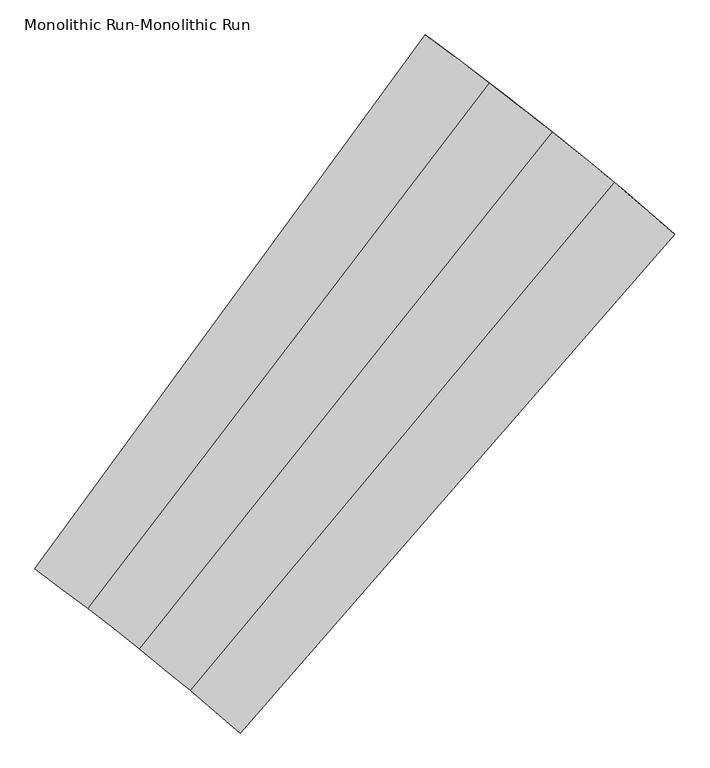
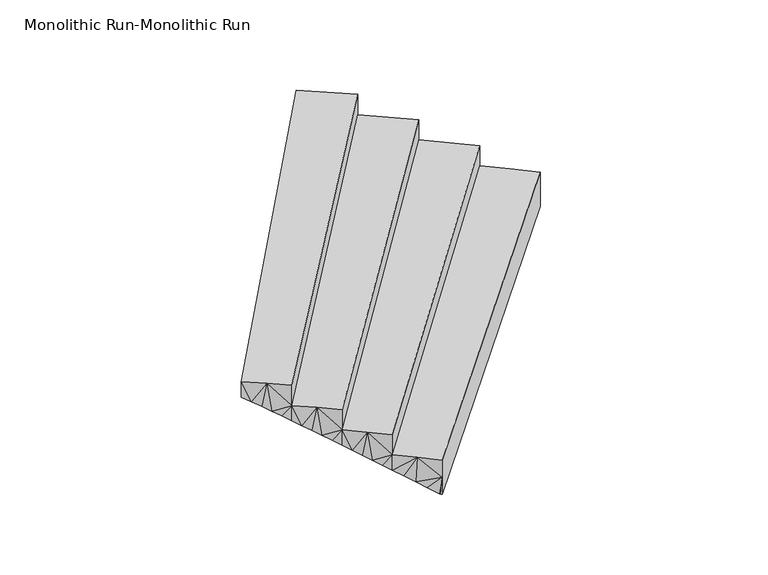
"""IFC4 building model written with IfcOpenShell, lengths in millimetres: stair geometry, Monolithic Run-Monolithic Run."""

from ifc_helpers import new_model, si_unit, origin, place, context, project, spatial, faceted_brep, source, transform, mapped, element, save


def monolithic_run_monolithic_run_472258ab(model_context):
    return source(origin(), model_context, "Body", "Brep", [
        faceted_brep([(2766.2167462, 2381.9004811, 2322.2857143), (2627.8743338, 2498.5693648, 2322.2857143), (706.0527135, 194.9631355, 2322.2857143), (819.9817589, 98.8828784, 2322.2857143), (932.8815592, 1.5952722, 2322.2857143), (2903.3093607, 2263.7655308, 2322.2857143), (706.0527135, 194.9631355, 2213.0410191), (759.5162652, 150.1338668, 2179.0664797), (812.7557401, 105.0387118, 2145.0919403), (932.8815592, 1.5952722, 2199.7142857), (925.721483, 7.827676, 2077.1428571), (932.8815592, 1.5952722, 2077.1428571), (865.7698163, 59.6787902, 2111.1174007), (918.5571827, 14.0552235, 2077.1428571), (2903.3093607, 2263.7655308, 2077.1428571), (2903.3093607, 2263.7655308, 2199.7142554), (2885.9154751, 2278.8954716, 2077.1428571), (2834.6584065, 2323.2410638, 2104.3224854), (2894.6149826, 2271.3334497, 2077.1428571), (2783.2249332, 2367.3819544, 2131.5021188), (2731.6158826, 2411.3174331, 2158.6817523), (2679.8320751, 2455.0468016, 2185.8613857), (2627.8743338, 2498.5693648, 2213.0410191), (2488.2978011, 2613.7589605, 2467.4285714), (2347.5029651, 2727.4562147, 2467.4285714), (475.1586451, 383.4581884, 2467.4285714), (591.1073336, 289.8251555, 2467.4285714), (706.0527135, 194.9631355, 2467.4285714), (2627.8743338, 2498.5693648, 2467.4285714), (521.6576685, 346.1531444, 2329.1553115), (475.1586451, 383.4581884, 2358.1838763), (567.9974338, 308.650429, 2300.1267384), (614.1770874, 270.9507328, 2271.0981653), (660.1957921, 233.0547392, 2242.0695922), (2581.4851685, 2537.1309106, 2237.2314957), (2488.2977991, 2613.7589621, 2285.6124487), (2534.9594617, 2575.5276042, 2261.4219722), (2441.5007684, 2651.8245028, 2309.8029253), (2394.5689587, 2689.7237472, 2333.9934018), (2347.5029651, 2727.4562147, 2358.1838763), (2205.5057811, 2839.648243, 2612.5714286), (2062.3223407, 2950.3223313, 2612.5714286), (240.3040132, 566.9949903, 2612.5714286), (358.2197877, 475.8516234, 2612.5714286), (475.1586451, 383.4581884, 2612.5714286), (2347.5029651, 2727.4562147, 2612.5714286), (287.5866896, 530.6883243, 2474.2981686), (240.3040132, 566.9949903, 2503.3267334), (334.7143521, 494.1806411, 2445.2695955), (381.6861329, 457.472613, 2416.2410225), (428.5011801, 420.5649057, 2387.2124494), (2300.3033721, 2765.0214367, 2382.3743528), (2205.5057791, 2839.6482445, 2430.7553059), (2252.9707781, 2802.4189369, 2406.5648293), (2157.9089727, 2876.7088907, 2454.9457824), (2110.1809582, 2913.6004089, 2479.1362589), (2062.3223407, 2950.3223313, 2503.3267334), (1917.9688697, 3059.4659379, 2757.7142857), (1772.4617266, 3167.0666944, 2757.7142857), (1.5952722, 745.4903481, 2757.7142857), (121.4246842, 656.8779605, 2757.7142857), (240.3040132, 566.9949903, 2757.7142857), (2062.3223407, 2950.3223313, 2757.7142857), (49.6401693, 710.1985169, 2619.4410258), (1.5952722, 745.4903481, 2648.4695906), (97.5343672, 674.7024141, 2590.4124527), (145.2769838, 639.0026932, 2561.3838796), (192.8671534, 603.1000017, 2532.3553065), (2014.3337146, 2986.8742019, 2527.51721), (1917.9688676, 3059.4659395, 2575.898163), (1966.2156883, 3023.2555574, 2551.7076865), (1869.5938601, 3095.5048923, 2600.0886396), (1821.0912748, 3131.3719622, 2624.2791161), (1772.4617266, 3167.0666944, 2648.4695906), (1575.6987872, 2898.0026559, 2648.4695906), (1378.9358479, 2628.9386174, 2648.4695906), (1182.1729085, 2359.8745789, 2648.4695906), (985.4099691, 2090.8105405, 2648.4695906), (788.6470297, 1821.746502, 2648.4695906), (591.8840904, 1552.6824635, 2648.4695906), (395.121151, 1283.618425, 2648.4695906), (1355.7479144, 517.3530564, 2077.1428571), (1574.3432802, 769.0019729, 2077.1428571), (1645.8311395, 1364.3646108, 2225.1362699), (2230.1293776, 1523.9487223, 2077.1428571), (1432.8026173, 1538.274691, 2346.088646), (2448.7247434, 1775.5976387, 2077.1428571), (1218.3090403, 1710.4309191, 2467.0410243)], [[[0, 1, 2, 3, 4, 5]], [[6, 3, 2]], [[3, 6, 7]], [[3, 7, 8]], [[3, 9, 4]], [[10, 11, 9]], [[9, 3, 8]], [[12, 13, 9]], [[13, 10, 9]], [[12, 9, 8]], [[5, 4, 9, 11, 14, 15]], [[16, 17, 15]], [[14, 18, 15]], [[18, 16, 15]], [[19, 0, 15]], [[19, 15, 17]], [[20, 21, 0]], [[19, 20, 0]], [[21, 1, 0]], [[1, 21, 22]], [[0, 5, 15]], [[23, 24, 25, 26, 27, 28]], [[29, 26, 25]], [[25, 30, 29]], [[26, 29, 31]], [[31, 32, 26]], [[26, 32, 2]], [[2, 32, 33]], [[2, 33, 6]], [[27, 26, 2]], [[28, 27, 2, 1]], [[22, 34, 1]], [[23, 28, 1, 35]], [[36, 1, 34]], [[35, 1, 36]], [[37, 38, 23]], [[35, 37, 23]], [[38, 24, 23]], [[24, 38, 39]], [[40, 41, 42, 43, 44, 45]], [[46, 43, 42]], [[42, 47, 46]], [[43, 46, 48]], [[48, 49, 43]], [[43, 49, 25]], [[25, 49, 50]], [[25, 50, 30]], [[44, 43, 25]], [[45, 44, 25, 24]], [[39, 51, 24]], [[40, 45, 24, 52]], [[53, 24, 51]], [[52, 24, 53]], [[54, 55, 40]], [[52, 54, 40]], [[55, 41, 40]], [[41, 55, 56]], [[57, 58, 59, 60, 61, 62]], [[63, 60, 59]], [[59, 64, 63]], [[60, 63, 65]], [[65, 66, 60]], [[60, 66, 42]], [[42, 66, 67]], [[42, 67, 47]], [[61, 60, 42]], [[62, 61, 42, 41]], [[56, 68, 41]], [[57, 62, 41, 69]], [[70, 41, 68]], [[69, 41, 70]], [[71, 72, 57]], [[69, 71, 57]], [[72, 58, 57]], [[58, 72, 73]], [[58, 73, 74, 75, 76, 77, 78, 79, 80, 64, 59]], [[13, 12, 81]], [[82, 8, 83]], [[82, 81, 8]], [[83, 84, 82]], [[12, 8, 81]], [[31, 83, 32]], [[85, 31, 29]], [[83, 31, 85]], [[7, 83, 8]], [[83, 34, 22]], [[83, 7, 6]], [[29, 30, 85]], [[17, 16, 86]], [[19, 86, 84]], [[85, 30, 50]], [[83, 33, 32]], [[20, 19, 84]], [[17, 86, 19]], [[6, 33, 83]], [[87, 54, 52]], [[83, 20, 84]], [[47, 87, 46]], [[22, 21, 83]], [[20, 83, 21]], [[35, 36, 83]], [[85, 35, 83]], [[36, 34, 83]], [[37, 35, 85]], [[38, 37, 85]], [[85, 39, 38]], [[51, 39, 85]], [[47, 67, 87]], [[67, 66, 87]], [[48, 87, 49]], [[46, 87, 48]], [[49, 87, 85]], [[66, 78, 87]], [[80, 65, 63]], [[64, 80, 63]], [[78, 66, 79]], [[79, 65, 80]], [[87, 78, 77]], [[66, 65, 79]], [[87, 77, 70]], [[53, 85, 87]], [[52, 53, 87]], [[54, 87, 55]], [[87, 56, 55]], [[68, 56, 87]], [[51, 85, 53]], [[69, 70, 76]], [[68, 87, 70]], [[69, 76, 75]], [[71, 75, 74]], [[69, 75, 71]], [[71, 74, 72]], [[74, 73, 72]], [[77, 76, 70]], [[50, 49, 85]], [[11, 10, 13, 81, 82, 84, 86, 16, 18, 14]]]),
    ])


if __name__ == "__main__":
    model = new_model("IFC4")
    model_context = context("Model", 3, world=origin())
    ifc_project = project(units=[si_unit("LENGTHUNIT", "METRE", prefix="MILLI")], contexts=[model_context])
    site = spatial("IfcSite", under=ifc_project)
    building = spatial("IfcBuilding", under=site)
    placement = place(None, origin())
    monolithic_run_monolithic_run_shape = monolithic_run_monolithic_run_472258ab(model_context)
    element("IfcStair", 1, ObjectType="Monolithic Run-Monolithic Run", at=placement, inside=building, context=model_context, shape_type="MappedRepresentation", body=[
        mapped(monolithic_run_monolithic_run_shape, transform((0.0, 0.0, 0.0), x_axis=(1.0, 0.0, 0.0), y_axis=(0.0, 1.0, 0.0), z_axis=(0.0, 0.0, 1.0))),
    ])
    save(model, "model.ifc")
